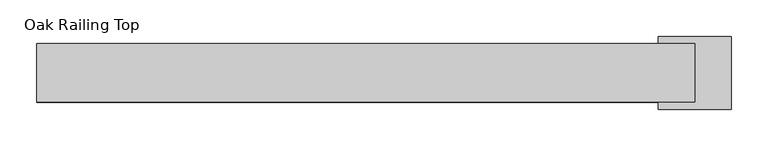
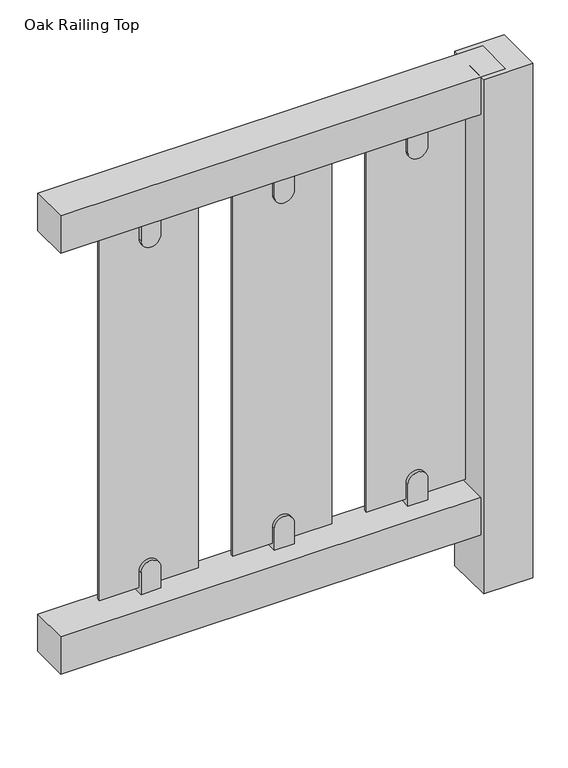
"""IFC4 building model written with IfcOpenShell, lengths in millimetres: railing geometry, Oak Railing Top."""

from ifc_helpers import new_model, si_unit, point, frame, frame_2d, origin, place, context, project, spatial, polyline, circle_curve, trimmed, segment, composite_curve, outline, extrude, source, transform, mapped, element, save


def oak_railing_top_0aeadf44(model_context):
    return source(origin(), model_context, "Body", "SweptSolid", [
        extrude(outline(polyline([(446.6475431, 5342.557511), (446.6475431, 5422.557511), (1346.40801, 5422.557511), (1346.40801, 5342.557511), (446.6475431, 5342.557511)])), frame((0.0, 0.0, 6200.0), z_axis=(0.0, 0.0, 1.0), x_axis=(1.0, 0.0, 0.0)), (0.0, 0.0, 1.0), 80.0),
        extrude(outline(polyline([(446.6475431, 5342.557511), (446.6475431, 5422.557511), (1346.40801, 5422.557511), (1346.40801, 5342.557511), (446.6475431, 5342.557511)])), frame((0.0, 0.0, 5300.0), z_axis=(0.0, 0.0, 1.0), x_axis=(1.0, 0.0, 0.0)), (0.0, 0.0, 1.0), 80.0),
        extrude(outline(composite_curve([segment(polyline([(6190.9791886, 1166.6475431), (6145.3149347, 1166.6475431)]), True, "CONTINUOUS"), segment(trimmed(circle_curve(frame_2d((6145.3149347, 1186.6475431)), 20.0), [point((6145.3149347, 1166.6475431))], [point((6145.3149347, 1206.6475431))], False, "CARTESIAN"), True, "CONTINUOUS"), segment(polyline([(6145.3149347, 1206.6475431), (6190.9791886, 1206.6475431), (6190.9791886, 1166.6475431)]), True, "CONTINUOUS")], self_intersect=False)), frame((0.0, 5372.557511, 0.0), z_axis=(0.0, 1.0, 0.0), x_axis=(0.0, 0.0, 1.0)), (0.0, 0.0, 1.0), 20.0),
        extrude(outline(composite_curve([segment(polyline([(5389.0208114, 1206.6475431), (5434.6850653, 1206.6475431)]), True, "CONTINUOUS"), segment(trimmed(circle_curve(frame_2d((5434.6850653, 1186.6475431)), 20.0), [point((5434.6850653, 1206.6475431))], [point((5434.6850653, 1166.6475431))], False, "CARTESIAN"), True, "CONTINUOUS"), segment(polyline([(5434.6850653, 1166.6475431), (5389.0208114, 1166.6475431), (5389.0208114, 1206.6475431)]), True, "CONTINUOUS")], self_intersect=False)), frame((0.0, 5372.557511, 0.0), z_axis=(0.0, 1.0, 0.0), x_axis=(0.0, 0.0, 1.0)), (0.0, 0.0, 1.0), 20.0),
        extrude(outline(polyline([(1086.6475431, 5385.557511), (1286.6475431, 5385.557511), (1286.6475431, 5379.557511), (1086.6475431, 5379.557511), (1086.6475431, 5385.557511)])), frame((0.0, 0.0, 5400.0), z_axis=(0.0, 0.0, 1.0), x_axis=(1.0, 0.0, 0.0)), (0.0, 0.0, 1.0), 780.0),
        extrude(outline(composite_curve([segment(polyline([(6190.9791886, 896.6475431), (6145.3149347, 896.6475431)]), True, "CONTINUOUS"), segment(trimmed(circle_curve(frame_2d((6145.3149347, 916.6475431)), 20.0), [point((6145.3149347, 896.6475431))], [point((6145.3149347, 936.6475431))], False, "CARTESIAN"), True, "CONTINUOUS"), segment(polyline([(6145.3149347, 936.6475431), (6190.9791886, 936.6475431), (6190.9791886, 896.6475431)]), True, "CONTINUOUS")], self_intersect=False)), frame((0.0, 5372.557511, 0.0), z_axis=(0.0, 1.0, 0.0), x_axis=(0.0, 0.0, 1.0)), (0.0, 0.0, 1.0), 20.0),
        extrude(outline(composite_curve([segment(polyline([(5389.0208114, 936.6475431), (5434.6850653, 936.6475431)]), True, "CONTINUOUS"), segment(trimmed(circle_curve(frame_2d((5434.6850653, 916.6475431)), 20.0), [point((5434.6850653, 936.6475431))], [point((5434.6850653, 896.6475431))], False, "CARTESIAN"), True, "CONTINUOUS"), segment(polyline([(5434.6850653, 896.6475431), (5389.0208114, 896.6475431), (5389.0208114, 936.6475431)]), True, "CONTINUOUS")], self_intersect=False)), frame((0.0, 5372.557511, 0.0), z_axis=(0.0, 1.0, 0.0), x_axis=(0.0, 0.0, 1.0)), (0.0, 0.0, 1.0), 20.0),
        extrude(outline(polyline([(816.6475431, 5385.557511), (1016.6475431, 5385.557511), (1016.6475431, 5379.557511), (816.6475431, 5379.557511), (816.6475431, 5385.557511)])), frame((0.0, 0.0, 5400.0), z_axis=(0.0, 0.0, 1.0), x_axis=(1.0, 0.0, 0.0)), (0.0, 0.0, 1.0), 780.0),
        extrude(outline(composite_curve([segment(polyline([(6190.9791886, 626.6475431), (6145.3149347, 626.6475431)]), True, "CONTINUOUS"), segment(trimmed(circle_curve(frame_2d((6145.3149347, 646.6475431)), 20.0), [point((6145.3149347, 626.6475431))], [point((6145.3149347, 666.6475431))], False, "CARTESIAN"), True, "CONTINUOUS"), segment(polyline([(6145.3149347, 666.6475431), (6190.9791886, 666.6475431), (6190.9791886, 626.6475431)]), True, "CONTINUOUS")], self_intersect=False)), frame((0.0, 5372.557511, 0.0), z_axis=(0.0, 1.0, 0.0), x_axis=(0.0, 0.0, 1.0)), (0.0, 0.0, 1.0), 20.0),
        extrude(outline(composite_curve([segment(polyline([(5389.0208114, 666.6475431), (5434.6850653, 666.6475431)]), True, "CONTINUOUS"), segment(trimmed(circle_curve(frame_2d((5434.6850653, 646.6475431)), 20.0), [point((5434.6850653, 666.6475431))], [point((5434.6850653, 626.6475431))], False, "CARTESIAN"), True, "CONTINUOUS"), segment(polyline([(5434.6850653, 626.6475431), (5389.0208114, 626.6475431), (5389.0208114, 666.6475431)]), True, "CONTINUOUS")], self_intersect=False)), frame((0.0, 5372.557511, 0.0), z_axis=(0.0, 1.0, 0.0), x_axis=(0.0, 0.0, 1.0)), (0.0, 0.0, 1.0), 20.0),
        extrude(outline(polyline([(546.6475431, 5385.557511), (746.6475431, 5385.557511), (746.6475431, 5379.557511), (546.6475431, 5379.557511), (546.6475431, 5385.557511)])), frame((0.0, 0.0, 5400.0), z_axis=(0.0, 0.0, 1.0), x_axis=(1.0, 0.0, 0.0)), (0.0, 0.0, 1.0), 780.0),
        extrude(outline(polyline([(1296.40801, 5432.557511), (1396.40801, 5432.557511), (1396.40801, 5332.557511), (1296.40801, 5332.557511), (1296.40801, 5432.557511)])), frame((0.0, 0.0, 5180.0), z_axis=(0.0, 0.0, 1.0), x_axis=(1.0, 0.0, 0.0)), (0.0, 0.0, 1.0), 1100.0),
    ])


if __name__ == "__main__":
    model = new_model("IFC4")
    model_context = context("Model", 3, world=origin())
    ifc_project = project(units=[si_unit("LENGTHUNIT", "METRE", prefix="MILLI")], contexts=[model_context])
    site = spatial("IfcSite", under=ifc_project)
    building = spatial("IfcBuilding", under=site)
    placement = place(None, origin())
    oak_railing_top_shape = oak_railing_top_0aeadf44(model_context)
    element("IfcRailing", 1, ObjectType="Oak Railing Top", at=placement, inside=building, context=model_context, shape_type="MappedRepresentation", body=[
        mapped(oak_railing_top_shape, transform((0.0, 0.0, 0.0), x_axis=(1.0, 0.0, 0.0), y_axis=(0.0, 1.0, 0.0), z_axis=(0.0, 0.0, 1.0))),
    ])
    save(model, "model.ifc")
